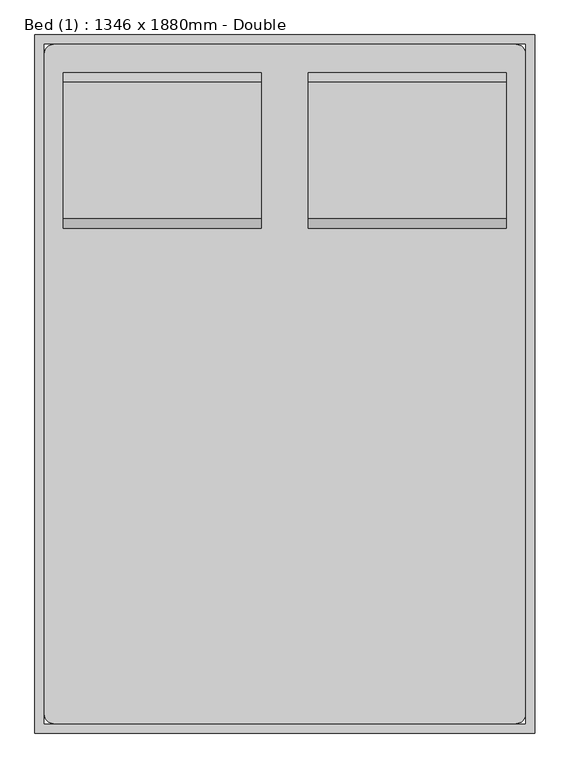
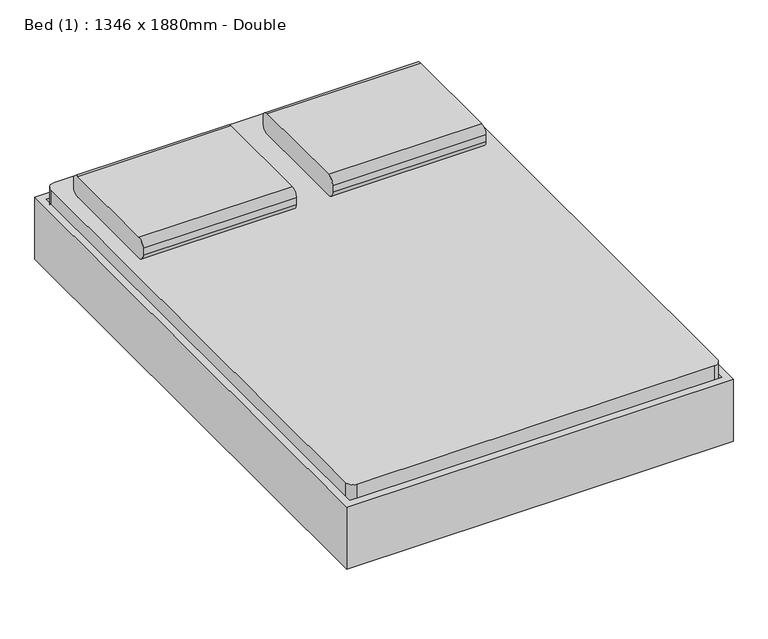
"""IFC4 building model written with IfcOpenShell, lengths in millimetres: furniture geometry, Bed (1) : 1346 x 1880mm - Double."""

from ifc_helpers import new_model, si_unit, point, frame, frame_2d, origin, place, context, project, spatial, polyline, circle_curve, trimmed, segment, composite_curve, outline, extrude, source, transform, mapped, element, save
from ifc_brep_helpers import plane_surface, cylinder_surface, revolved_surface, advanced_brep


def bed_1_1346_x_1880mm_double_0c3b6f55(model_context):
    return source(origin(), model_context, "Body", "SolidModel", [
        extrude(outline(composite_curve([segment(polyline([(578.5704918, 406.4), (210.2704918, 406.4)]), True, "CONTINUOUS"), segment(trimmed(circle_curve(frame_2d((210.2704918, 431.8)), 25.4), [point((210.2704918, 406.4))], [point((184.8704918, 431.8))], False, "CARTESIAN"), True, "CONTINUOUS"), segment(polyline([(184.8704918, 431.8), (184.8704918, 457.2)]), True, "CONTINUOUS"), segment(trimmed(circle_curve(frame_2d((210.2704918, 457.2)), 25.4), [point((184.8704918, 457.2))], [point((210.2704918, 482.6))], False, "CARTESIAN"), True, "CONTINUOUS"), segment(polyline([(210.2704918, 482.6), (578.5704918, 482.6)]), True, "CONTINUOUS"), segment(trimmed(circle_curve(frame_2d((578.5704918, 457.2)), 25.4), [point((578.5704918, 482.6))], [point((603.9704918, 457.2))], False, "CARTESIAN"), True, "CONTINUOUS"), segment(polyline([(603.9704918, 457.2), (603.9704918, 431.8)]), True, "CONTINUOUS"), segment(trimmed(circle_curve(frame_2d((578.5704918, 431.8)), 25.4), [point((603.9704918, 431.8))], [point((578.5704918, 406.4))], False, "CARTESIAN"), True, "CONTINUOUS")], self_intersect=False)), frame((402.652459, 0.0, 0.0), z_axis=(1.0, 0.0, 0.0), x_axis=(0.0, 1.0, 0.0)), (0.0, 0.0, 1.0), 533.3),
        extrude(outline(composite_curve([segment(polyline([(578.5704918, 406.4), (210.2704918, 406.4)]), True, "CONTINUOUS"), segment(trimmed(circle_curve(frame_2d((210.2704918, 431.8)), 25.4), [point((210.2704918, 406.4))], [point((184.8704918, 431.8))], False, "CARTESIAN"), True, "CONTINUOUS"), segment(polyline([(184.8704918, 431.8), (184.8704918, 457.2)]), True, "CONTINUOUS"), segment(trimmed(circle_curve(frame_2d((210.2704918, 457.2)), 25.4), [point((184.8704918, 457.2))], [point((210.2704918, 482.6))], False, "CARTESIAN"), True, "CONTINUOUS"), segment(polyline([(210.2704918, 482.6), (578.5704918, 482.6)]), True, "CONTINUOUS"), segment(trimmed(circle_curve(frame_2d((578.5704918, 457.2)), 25.4), [point((578.5704918, 482.6))], [point((603.9704918, 457.2))], False, "CARTESIAN"), True, "CONTINUOUS"), segment(polyline([(603.9704918, 457.2), (603.9704918, 431.8)]), True, "CONTINUOUS"), segment(trimmed(circle_curve(frame_2d((578.5704918, 431.8)), 25.4), [point((603.9704918, 431.8))], [point((578.5704918, 406.4))], False, "CARTESIAN"), True, "CONTINUOUS")], self_intersect=False)), frame((-257.647541, 0.0, 0.0), z_axis=(1.0, 0.0, 0.0), x_axis=(0.0, 1.0, 0.0)), (0.0, 0.0, 1.0), 533.3),
        advanced_brep(
        [(-308.1231784, 451.5704918, 177.8), (-308.1231784, 375.3704918, 177.8), (-308.1231784, 375.3704918, 196.85), (-308.1231784, 451.5704918, 196.85), (-257.3231784, 451.5704918, 177.8), (-257.3231784, 375.3704918, 177.8), (-245.1869899, 375.3704918, 196.85), (-245.1869899, 451.5704918, 196.85), (-181.2523099, 451.5704918, 14.6654962), (-181.2523099, 375.3704918, 14.6654962), (-163.9871466, 375.3704918, 22.716374), (-163.9871466, 451.5704918, 22.716374), (-158.2320921, 375.3704918, 0.0), (-158.2320921, 451.5704918, 0.0), (-158.2320921, 375.3704918, 19.05), (-158.2320921, 451.5704918, 19.05), (-79.6195862, 451.5704918, 0.0), (-79.6195862, 375.3704918, 0.0), (-79.6195862, 375.3704918, 19.05), (-79.6195862, 451.5704918, 19.05), (-66.9195862, 375.3704918, 3.4029547), (-66.9195862, 451.5704918, 3.4029547), (-76.4445862, 375.3704918, 19.9007387), (-76.4445862, 451.5704918, 19.9007387), (-6.822541, 451.5704918, 38.1), (-6.822541, 375.3704918, 38.1), (-11.9269731, 375.3704918, 57.15), (-11.9269731, 451.5704918, 57.15), (685.4518216, 451.5704918, 38.1), (685.4518216, 375.3704918, 38.1), (690.5562537, 375.3704918, 57.15), (690.5562537, 451.5704918, 57.15), (745.5488669, 451.5704918, 3.4029547), (745.5488669, 375.3704918, 3.4029547), (755.0738669, 375.3704918, 19.9007387), (755.0738669, 451.5704918, 19.9007387), (758.2488669, 375.3704918, 0.0), (758.2488669, 451.5704918, 0.0), (758.2488669, 375.3704918, 19.05), (758.2488669, 451.5704918, 19.05), (836.8613728, 451.5704918, 0.0), (836.8613728, 375.3704918, 0.0), (836.8613728, 375.3704918, 19.05), (836.8613728, 451.5704918, 19.05), (859.8815906, 375.3704918, 14.6654962), (859.8815906, 451.5704918, 14.6654962), (842.6164272, 375.3704918, 22.716374), (842.6164272, 451.5704918, 22.716374), (935.952459, 451.5704918, 177.8), (935.952459, 375.3704918, 177.8), (923.8162705, 375.3704918, 196.85), (923.8162705, 451.5704918, 196.85), (986.752459, 451.5704918, 177.8), (986.752459, 451.5704918, 196.85), (986.752459, 375.3704918, 196.85), (986.752459, 375.3704918, 177.8)],
        [
            (0, 1),
            (1, 2),
            (2, 3),
            (3, 0),
            (0, 4),
            (4, 5),
            (5, 1),
            (5, 6),
            (6, 2),
            (6, 7),
            (7, 3),
            (7, 4),
            (4, 8),
            (8, 9),
            (9, 5),
            (9, 10),
            (10, 6),
            (10, 11),
            (11, 7),
            (11, 8),
            (12, 9, circle_curve(frame((-158.2320921, 375.3704918, 25.4), z_axis=(0.0, 1.0, 0.0), x_axis=(-0.906307787036649, 0.0, -0.4226182617407015)), 25.4)),
            (8, 13, circle_curve(frame((-158.2320921, 451.5704918, 25.4), z_axis=(0.0, -1.0, 0.0), x_axis=(-0.906307787036649, 0.0, -0.4226182617407015)), 25.4)),
            (13, 12),
            (14, 10, circle_curve(frame((-158.2320921, 375.3704918, 25.4), z_axis=(0.0, 1.0, 0.0), x_axis=(-0.906307787036649, 0.0, -0.4226182617407015)), 6.35)),
            (12, 14),
            (15, 11, circle_curve(frame((-158.2320921, 451.5704918, 25.4), z_axis=(0.0, 1.0, 0.0), x_axis=(-0.906307787036649, 0.0, -0.4226182617407015)), 6.35)),
            (14, 15),
            (15, 13),
            (13, 16),
            (16, 17),
            (17, 12),
            (17, 18),
            (18, 14),
            (18, 19),
            (19, 15),
            (19, 16),
            (20, 17, circle_curve(frame((-79.6195862, 375.3704918, 25.4), z_axis=(0.0, 1.0, 0.0), x_axis=(0.0, 0.0, -1.0)), 25.4)),
            (16, 21, circle_curve(frame((-79.6195862, 451.5704918, 25.4), z_axis=(0.0, -1.0, 0.0), x_axis=(0.0, 0.0, -1.0)), 25.4)),
            (21, 20),
            (22, 18, circle_curve(frame((-79.6195862, 375.3704918, 25.4), z_axis=(0.0, 1.0, 0.0), x_axis=(0.0, 0.0, -1.0)), 6.35)),
            (20, 22),
            (23, 19, circle_curve(frame((-79.6195862, 451.5704918, 25.4), z_axis=(0.0, 1.0, 0.0), x_axis=(0.0, 0.0, -1.0)), 6.35)),
            (22, 23),
            (23, 21),
            (21, 24),
            (24, 25),
            (25, 20),
            (25, 26),
            (26, 22),
            (26, 27),
            (27, 23),
            (27, 24),
            (24, 28),
            (28, 29),
            (29, 25),
            (29, 30),
            (30, 26),
            (30, 31),
            (31, 27),
            (31, 28),
            (28, 32),
            (32, 33),
            (33, 29),
            (33, 34),
            (34, 30),
            (34, 35),
            (35, 31),
            (35, 32),
            (36, 33, circle_curve(frame((758.2488669, 375.3704918, 25.4), z_axis=(0.0, 1.0, 0.0), x_axis=(-0.5000000000000449, 0.0, -0.8660254037844127)), 25.4)),
            (32, 37, circle_curve(frame((758.2488669, 451.5704918, 25.4), z_axis=(0.0, -1.0, 0.0), x_axis=(-0.5000000000000449, 0.0, -0.8660254037844127)), 25.4)),
            (37, 36),
            (38, 34, circle_curve(frame((758.2488669, 375.3704918, 25.4), z_axis=(0.0, 1.0, 0.0), x_axis=(-0.5000000000000449, 0.0, -0.8660254037844127)), 6.35)),
            (36, 38),
            (39, 35, circle_curve(frame((758.2488669, 451.5704918, 25.4), z_axis=(0.0, 1.0, 0.0), x_axis=(-0.5000000000000449, 0.0, -0.8660254037844127)), 6.35)),
            (38, 39),
            (39, 37),
            (37, 40),
            (40, 41),
            (41, 36),
            (41, 42),
            (42, 38),
            (42, 43),
            (43, 39),
            (43, 40),
            (44, 41, circle_curve(frame((836.8613728, 375.3704918, 25.4), z_axis=(0.0, 1.0, 0.0), x_axis=(0.0, 0.0, -1.0)), 25.4)),
            (40, 45, circle_curve(frame((836.8613728, 451.5704918, 25.4), z_axis=(0.0, -1.0, 0.0), x_axis=(0.0, 0.0, -1.0)), 25.4)),
            (45, 44),
            (46, 42, circle_curve(frame((836.8613728, 375.3704918, 25.4), z_axis=(0.0, 1.0, 0.0), x_axis=(0.0, 0.0, -1.0)), 6.35)),
            (44, 46),
            (47, 43, circle_curve(frame((836.8613728, 451.5704918, 25.4), z_axis=(0.0, 1.0, 0.0), x_axis=(0.0, 0.0, -1.0)), 6.35)),
            (46, 47),
            (47, 45),
            (45, 48),
            (48, 49),
            (49, 44),
            (49, 50),
            (50, 46),
            (50, 51),
            (51, 47),
            (51, 48),
            (52, 53),
            (53, 54),
            (54, 55),
            (55, 52),
            (48, 52),
            (55, 49),
            (54, 50),
            (53, 51),
        ],
        [
            plane_surface(frame((-308.1231784, 705.5704918, -152.9490627), z_axis=(-1.0, 0.0, 0.0), x_axis=(0.0, 1.0, 0.0))),
            plane_surface(frame((-308.1231784, 451.5704918, 177.8), z_axis=(0.0, 0.0, -1.0), x_axis=(1.0, 0.0, 0.0))),
            plane_surface(frame((-308.1231784, 375.3704918, 177.8), z_axis=(0.0, -1.0, 0.0), x_axis=(1.0, 0.0, 0.0))),
            plane_surface(frame((-308.1231784, 375.3704918, 196.85), z_axis=(0.0, 0.0, 1.0), x_axis=(1.0, 0.0, 0.0))),
            plane_surface(frame((-308.1231784, 451.5704918, 196.85), z_axis=(0.0, 1.0, 0.0), x_axis=(1.0, 0.0, 0.0))),
            plane_surface(frame((-257.3231784, 451.5704918, 177.8), z_axis=(-0.9063077870366483, 0.0, -0.4226182617407031), x_axis=(0.4226182617407031, 0.0, -0.9063077870366483))),
            plane_surface(frame((-257.3231784, 375.3704918, 177.8), z_axis=(0.0, -1.0, 0.0), x_axis=(0.4226182617407027, 0.0, -0.9063077870366485))),
            plane_surface(frame((-245.1869899, 375.3704918, 196.85), z_axis=(0.9063077870366484, 0.0, 0.4226182617407029), x_axis=(0.4226182617407029, 0.0, -0.9063077870366484))),
            plane_surface(frame((-245.1869899, 451.5704918, 196.85), z_axis=(0.0, 1.0, 0.0), x_axis=(0.4226182617407027, 0.0, -0.9063077870366485))),
            cylinder_surface(frame((-158.2320921, 705.5704918, 25.4), z_axis=(0.0, -1.0, 0.0), x_axis=(-0.906307787036649, 0.0, -0.4226182617407015)), 25.4),
            plane_surface(frame((-158.2320921, 375.3704918, 25.4), z_axis=(0.0, -1.0, 0.0), x_axis=(-0.906307787036649, 0.0, -0.4226182617407015))),
            revolved_surface(polyline([(-163.9871465476827, 375.3704918, 22.716374037946544), (-163.9871465476827, 451.5704918, 22.716374037946544)]), (-158.2320921, 705.5704918, 25.4), (0.0, -1.0, 0.0)),
            plane_surface(frame((-158.2320921, 451.5704918, 25.4), z_axis=(0.0, 1.0, 0.0), x_axis=(-0.906307787036649, 0.0, -0.4226182617407015))),
            plane_surface(frame((-158.2320921, 451.5704918, 0.0), z_axis=(0.0, 0.0, -1.0), x_axis=(1.0, 0.0, 0.0))),
            plane_surface(frame((-158.2320921, 375.3704918, 0.0), z_axis=(0.0, -1.0, 0.0), x_axis=(1.0, 0.0, 0.0))),
            plane_surface(frame((-158.2320921, 375.3704918, 19.05), z_axis=(0.0, 0.0, 1.0), x_axis=(1.0, 0.0, 0.0))),
            plane_surface(frame((-158.2320921, 451.5704918, 19.05), z_axis=(0.0, 1.0, 0.0), x_axis=(1.0, 0.0, 0.0))),
            cylinder_surface(frame((-79.6195862, 705.5704918, 25.4), z_axis=(0.0, -1.0, 0.0), x_axis=(0.0, 0.0, -1.0)), 25.4),
            plane_surface(frame((-79.6195862, 375.3704918, 25.4), z_axis=(0.0, -1.0, 0.0), x_axis=(0.0, 0.0, -1.0))),
            revolved_surface(polyline([(-79.6195862, 375.3704918, 19.049999999999997), (-79.6195862, 451.5704918, 19.049999999999997)]), (-79.6195862, 705.5704918, 25.4), (0.0, -1.0, 0.0)),
            plane_surface(frame((-79.6195862, 451.5704918, 25.4), z_axis=(0.0, 1.0, 0.0), x_axis=(0.0, 0.0, -1.0))),
            plane_surface(frame((-66.9195862, 451.5704918, 3.4029547), z_axis=(0.499999999999877, 0.0, -0.8660254037845097), x_axis=(0.8660254037845097, 0.0, 0.499999999999877))),
            plane_surface(frame((-66.9195862, 375.3704918, 3.4029547), z_axis=(0.0, -1.0, 0.0), x_axis=(0.8660254037845101, 0.0, 0.49999999999987615))),
            plane_surface(frame((-76.4445862, 375.3704918, 19.9007387), z_axis=(-0.4999999999998764, 0.0, 0.8660254037845101), x_axis=(0.8660254037845101, 0.0, 0.4999999999998764))),
            plane_surface(frame((-76.4445862, 451.5704918, 19.9007387), z_axis=(0.0, 1.0, 0.0), x_axis=(0.86602540378451, 0.0, 0.49999999999987643))),
            plane_surface(frame((-6.822541, 451.5704918, 38.1), z_axis=(0.0, 0.0, -1.0), x_axis=(1.0, 0.0, 0.0))),
            plane_surface(frame((-6.822541, 375.3704918, 38.1), z_axis=(0.0, -1.0, 0.0), x_axis=(1.0, 0.0, 0.0))),
            plane_surface(frame((-11.9269731, 375.3704918, 57.15), z_axis=(0.0, 0.0, 1.0), x_axis=(1.0, 0.0, 0.0))),
            plane_surface(frame((-11.9269731, 451.5704918, 57.15), z_axis=(0.0, 1.0, 0.0), x_axis=(1.0, 0.0, 0.0))),
            plane_surface(frame((685.4518216, 451.5704918, 38.1), z_axis=(-0.5000000000000447, 0.0, -0.866025403784413), x_axis=(0.866025403784413, 0.0, -0.5000000000000447))),
            plane_surface(frame((685.4518216, 375.3704918, 38.1), z_axis=(0.0, -1.0, 0.0), x_axis=(0.8660254037844118, 0.0, -0.5000000000000464))),
            plane_surface(frame((690.5562537, 375.3704918, 57.15), z_axis=(0.5000000000000462, 0.0, 0.8660254037844121), x_axis=(0.8660254037844121, 0.0, -0.5000000000000462))),
            plane_surface(frame((690.5562537, 451.5704918, 57.15), z_axis=(0.0, 1.0, 0.0), x_axis=(0.8660254037844126, 0.0, -0.5000000000000452))),
            cylinder_surface(frame((758.2488669, 705.5704918, 25.4), z_axis=(0.0, -1.0, 0.0), x_axis=(-0.5000000000000449, 0.0, -0.8660254037844127)), 25.4),
            plane_surface(frame((758.2488669, 375.3704918, 25.4), z_axis=(0.0, -1.0, 0.0), x_axis=(-0.5000000000000449, 0.0, -0.8660254037844127))),
            revolved_surface(polyline([(755.0738668999998, 375.3704918, 19.900738685968978), (755.0738668999998, 451.5704918, 19.900738685968978)]), (758.2488669, 705.5704918, 25.4), (0.0, -1.0, 0.0)),
            plane_surface(frame((758.2488669, 451.5704918, 25.4), z_axis=(0.0, 1.0, 0.0), x_axis=(-0.5000000000000449, 0.0, -0.8660254037844127))),
            plane_surface(frame((758.2488669, 451.5704918, 0.0), z_axis=(0.0, 0.0, -1.0), x_axis=(1.0, 0.0, 0.0))),
            plane_surface(frame((758.2488669, 375.3704918, 0.0), z_axis=(0.0, -1.0, 0.0), x_axis=(1.0, 0.0, 0.0))),
            plane_surface(frame((758.2488669, 375.3704918, 19.05), z_axis=(0.0, 0.0, 1.0), x_axis=(1.0, 0.0, 0.0))),
            plane_surface(frame((758.2488669, 451.5704918, 19.05), z_axis=(0.0, 1.0, 0.0), x_axis=(1.0, 0.0, 0.0))),
            cylinder_surface(frame((836.8613728, 705.5704918, 25.4), z_axis=(0.0, -1.0, 0.0), x_axis=(0.0, 0.0, -1.0)), 25.4),
            plane_surface(frame((836.8613728, 375.3704918, 25.4), z_axis=(0.0, -1.0, 0.0), x_axis=(0.0, 0.0, -1.0))),
            revolved_surface(polyline([(836.8613728, 375.3704918, 19.049999999999997), (836.8613728, 451.5704918, 19.049999999999997)]), (836.8613728, 705.5704918, 25.4), (0.0, -1.0, 0.0)),
            plane_surface(frame((836.8613728, 451.5704918, 25.4), z_axis=(0.0, 1.0, 0.0), x_axis=(0.0, 0.0, -1.0))),
            plane_surface(frame((859.8815906, 451.5704918, 14.6654962), z_axis=(0.9063077870366809, 0.0, -0.42261826174063316), x_axis=(0.42261826174063316, 0.0, 0.9063077870366809))),
            plane_surface(frame((859.8815906, 375.3704918, 14.6654962), z_axis=(0.0, -1.0, 0.0), x_axis=(0.4226182617406339, 0.0, 0.9063077870366806))),
            plane_surface(frame((842.6164272, 375.3704918, 22.716374), z_axis=(-0.906307787036681, 0.0, 0.422618261740633), x_axis=(0.422618261740633, 0.0, 0.906307787036681))),
            plane_surface(frame((842.6164272, 451.5704918, 22.716374), z_axis=(0.0, 1.0, 0.0), x_axis=(0.4226182617406331, 0.0, 0.9063077870366809))),
            plane_surface(frame((986.752459, 705.5704918, -152.9490627), z_axis=(1.0, 0.0, 0.0), x_axis=(0.0, 1.0, 0.0))),
            plane_surface(frame((935.952459, 451.5704918, 177.8), z_axis=(0.0, 0.0, -1.0), x_axis=(1.0, 0.0, 0.0))),
            plane_surface(frame((935.952459, 375.3704918, 177.8), z_axis=(0.0, -1.0, 0.0), x_axis=(1.0, 0.0, 0.0))),
            plane_surface(frame((923.8162705, 375.3704918, 196.85), z_axis=(0.0, 0.0, 1.0), x_axis=(1.0, 0.0, 0.0))),
            plane_surface(frame((923.8162705, 451.5704918, 196.85), z_axis=(0.0, 1.0, 0.0), x_axis=(1.0, 0.0, 0.0))),
        ],
        [
            (0, [[1, 2, 3, 4]]),
            (1, [[-1, 5, 6, 7]]),
            (2, [[-2, -7, 8, 9]]),
            (3, [[-3, -9, 10, 11]]),
            (4, [[-4, -11, 12, -5]]),
            (5, [[-6, 13, 14, 15]]),
            (6, [[-8, -15, 16, 17]]),
            (7, [[-10, -17, 18, 19]]),
            (8, [[-12, -19, 20, -13]]),
            (9, [[21, -14, 22, 23]]),
            (10, [[24, -16, -21, 25]]),
            (11, [[26, -18, -24, 27]]),
            (12, [[-22, -20, -26, 28]]),
            (13, [[-23, 29, 30, 31]]),
            (14, [[-25, -31, 32, 33]]),
            (15, [[-27, -33, 34, 35]]),
            (16, [[-28, -35, 36, -29]]),
            (17, [[37, -30, 38, 39]]),
            (18, [[40, -32, -37, 41]]),
            (19, [[42, -34, -40, 43]]),
            (20, [[-38, -36, -42, 44]]),
            (21, [[-39, 45, 46, 47]]),
            (22, [[-41, -47, 48, 49]]),
            (23, [[-43, -49, 50, 51]]),
            (24, [[-44, -51, 52, -45]]),
            (25, [[-46, 53, 54, 55]]),
            (26, [[-48, -55, 56, 57]]),
            (27, [[-50, -57, 58, 59]]),
            (28, [[-52, -59, 60, -53]]),
            (29, [[-54, 61, 62, 63]]),
            (30, [[-56, -63, 64, 65]]),
            (31, [[-58, -65, 66, 67]]),
            (32, [[-60, -67, 68, -61]]),
            (33, [[69, -62, 70, 71]]),
            (34, [[72, -64, -69, 73]]),
            (35, [[74, -66, -72, 75]]),
            (36, [[-70, -68, -74, 76]]),
            (37, [[-71, 77, 78, 79]]),
            (38, [[-73, -79, 80, 81]]),
            (39, [[-75, -81, 82, 83]]),
            (40, [[-76, -83, 84, -77]]),
            (41, [[85, -78, 86, 87]]),
            (42, [[88, -80, -85, 89]]),
            (43, [[90, -82, -88, 91]]),
            (44, [[-86, -84, -90, 92]]),
            (45, [[-87, 93, 94, 95]]),
            (46, [[-89, -95, 96, 97]]),
            (47, [[-91, -97, 98, 99]]),
            (48, [[-92, -99, 100, -93]]),
            (49, [[101, 102, 103, 104]]),
            (50, [[-94, 105, -104, 106]]),
            (51, [[-96, -106, -103, 107]]),
            (52, [[-98, -107, -102, 108]]),
            (53, [[-100, -108, -101, -105]]),
        ],
    ),
        extrude(outline(composite_curve([segment(polyline([(-283.047541, 680.1704918), (961.352459, 680.1704918)]), True, "CONTINUOUS"), segment(trimmed(circle_curve(frame_2d((961.352459, 654.7704918)), 25.4), [point((961.352459, 680.1704918))], [point((986.752459, 654.7704918))], False, "CARTESIAN"), True, "CONTINUOUS"), segment(polyline([(986.752459, 654.7704918), (986.752459, -1123.6295082)]), True, "CONTINUOUS"), segment(trimmed(circle_curve(frame_2d((961.352459, -1123.6295082)), 25.4), [point((986.752459, -1123.6295082))], [point((961.352459, -1149.0295082))], False, "CARTESIAN"), True, "CONTINUOUS"), segment(polyline([(961.352459, -1149.0295082), (-283.047541, -1149.0295082)]), True, "CONTINUOUS"), segment(trimmed(circle_curve(frame_2d((-283.047541, -1123.6295082)), 25.4), [point((-283.047541, -1149.0295082))], [point((-308.447541, -1123.6295082))], False, "CARTESIAN"), True, "CONTINUOUS"), segment(polyline([(-308.447541, -1123.6295082), (-308.447541, 654.7704918)]), True, "CONTINUOUS"), segment(trimmed(circle_curve(frame_2d((-283.047541, 654.7704918)), 25.4), [point((-308.447541, 654.7704918))], [point((-283.047541, 680.1704918))], False, "CARTESIAN"), True, "CONTINUOUS")], self_intersect=False)), frame((0.0, 0.0, 203.2), z_axis=(0.0, 0.0, 1.0), x_axis=(1.0, 0.0, 0.0)), (0.0, 0.0, 1.0), 203.2),
        advanced_brep(
        [(-308.447541, -869.6295082, 196.85), (-308.447541, -869.6295082, 177.8), (-308.447541, -945.8295082, 177.8), (-308.447541, -945.8295082, 196.85), (-245.5113525, -869.6295082, 196.85), (-257.647541, -869.6295082, 177.8), (-257.647541, -945.8295082, 177.8), (-245.5113525, -945.8295082, 196.85), (-164.3115092, -869.6295082, 22.716374), (-181.5766725, -869.6295082, 14.6654962), (-181.5766725, -945.8295082, 14.6654962), (-164.3115092, -945.8295082, 22.716374), (-158.5564547, -869.6295082, 0.0), (-158.5564547, -869.6295082, 19.05), (-158.5564547, -945.8295082, 0.0), (-158.5564547, -945.8295082, 19.05), (-79.9439489, -869.6295082, 19.05), (-79.9439489, -869.6295082, 0.0), (-79.9439489, -945.8295082, 0.0), (-79.9439489, -945.8295082, 19.05), (-67.2439489, -869.6295082, 3.4029547), (-76.7689489, -869.6295082, 19.9007387), (-67.2439489, -945.8295082, 3.4029547), (-76.7689489, -945.8295082, 19.9007387), (-12.2513357, -869.6295082, 57.15), (-7.1469036, -869.6295082, 38.1), (-7.1469036, -945.8295082, 38.1), (-12.2513357, -945.8295082, 57.15), (690.5562537, -869.6295082, 57.15), (685.4518216, -869.6295082, 38.1), (685.4518216, -945.8295082, 38.1), (690.5562537, -945.8295082, 57.15), (755.0738669, -869.6295082, 19.9007387), (745.5488669, -869.6295082, 3.4029547), (745.5488669, -945.8295082, 3.4029547), (755.0738669, -945.8295082, 19.9007387), (758.2488669, -869.6295082, 0.0), (758.2488669, -869.6295082, 19.05), (758.2488669, -945.8295082, 0.0), (758.2488669, -945.8295082, 19.05), (836.8613728, -869.6295082, 19.05), (836.8613728, -869.6295082, 0.0), (836.8613728, -945.8295082, 0.0), (836.8613728, -945.8295082, 19.05), (859.8815906, -869.6295082, 14.6654962), (842.6164272, -869.6295082, 22.716374), (859.8815906, -945.8295082, 14.6654962), (842.6164272, -945.8295082, 22.716374), (923.8162705, -869.6295082, 196.85), (935.952459, -869.6295082, 177.8), (935.952459, -945.8295082, 177.8), (923.8162705, -945.8295082, 196.85), (986.752459, -869.6295082, 196.85), (986.752459, -945.8295082, 196.85), (986.752459, -945.8295082, 177.8), (986.752459, -869.6295082, 177.8)],
        [
            (0, 1),
            (1, 2),
            (2, 3),
            (3, 0),
            (0, 4),
            (4, 5),
            (5, 1),
            (5, 6),
            (6, 2),
            (6, 7),
            (7, 3),
            (7, 4),
            (4, 8),
            (8, 9),
            (9, 5),
            (9, 10),
            (10, 6),
            (10, 11),
            (11, 7),
            (11, 8),
            (12, 9, circle_curve(frame((-158.5564547, -869.6295082, 25.4), z_axis=(0.0, 1.0, 0.0), x_axis=(-0.906307787036664, 0.0, -0.4226182617406693)), 25.4)),
            (8, 13, circle_curve(frame((-158.5564547, -869.6295082, 25.4), z_axis=(0.0, -1.0, 0.0), x_axis=(-0.906307787036664, 0.0, -0.4226182617406693)), 6.35)),
            (13, 12),
            (14, 10, circle_curve(frame((-158.5564547, -945.8295082, 25.4), z_axis=(0.0, 1.0, 0.0), x_axis=(-0.906307787036664, 0.0, -0.4226182617406693)), 25.4)),
            (12, 14),
            (15, 11, circle_curve(frame((-158.5564547, -945.8295082, 25.4), z_axis=(0.0, 1.0, 0.0), x_axis=(-0.906307787036664, 0.0, -0.4226182617406693)), 6.35)),
            (14, 15),
            (15, 13),
            (13, 16),
            (16, 17),
            (17, 12),
            (17, 18),
            (18, 14),
            (18, 19),
            (19, 15),
            (19, 16),
            (20, 17, circle_curve(frame((-79.9439489, -869.6295082, 25.4), z_axis=(0.0, 1.0, 0.0), x_axis=(0.0, 0.0, -1.0)), 25.4)),
            (16, 21, circle_curve(frame((-79.9439489, -869.6295082, 25.4), z_axis=(0.0, -1.0, 0.0), x_axis=(0.0, 0.0, -1.0)), 6.35)),
            (21, 20),
            (22, 18, circle_curve(frame((-79.9439489, -945.8295082, 25.4), z_axis=(0.0, 1.0, 0.0), x_axis=(0.0, 0.0, -1.0)), 25.4)),
            (20, 22),
            (23, 19, circle_curve(frame((-79.9439489, -945.8295082, 25.4), z_axis=(0.0, 1.0, 0.0), x_axis=(0.0, 0.0, -1.0)), 6.35)),
            (22, 23),
            (23, 21),
            (21, 24),
            (24, 25),
            (25, 20),
            (25, 26),
            (26, 22),
            (26, 27),
            (27, 23),
            (27, 24),
            (24, 28),
            (28, 29),
            (29, 25),
            (29, 30),
            (30, 26),
            (30, 31),
            (31, 27),
            (31, 28),
            (28, 32),
            (32, 33),
            (33, 29),
            (33, 34),
            (34, 30),
            (34, 35),
            (35, 31),
            (35, 32),
            (36, 33, circle_curve(frame((758.2488669, -869.6295082, 25.4), z_axis=(0.0, 1.0, 0.0), x_axis=(-0.5000000000000533, 0.0, -0.8660254037844078)), 25.4)),
            (32, 37, circle_curve(frame((758.2488669, -869.6295082, 25.4), z_axis=(0.0, -1.0, 0.0), x_axis=(-0.5000000000000533, 0.0, -0.8660254037844078)), 6.35)),
            (37, 36),
            (38, 34, circle_curve(frame((758.2488669, -945.8295082, 25.4), z_axis=(0.0, 1.0, 0.0), x_axis=(-0.5000000000000533, 0.0, -0.8660254037844078)), 25.4)),
            (36, 38),
            (39, 35, circle_curve(frame((758.2488669, -945.8295082, 25.4), z_axis=(0.0, 1.0, 0.0), x_axis=(-0.5000000000000533, 0.0, -0.8660254037844078)), 6.35)),
            (38, 39),
            (39, 37),
            (37, 40),
            (40, 41),
            (41, 36),
            (41, 42),
            (42, 38),
            (42, 43),
            (43, 39),
            (43, 40),
            (44, 41, circle_curve(frame((836.8613728, -869.6295082, 25.4), z_axis=(0.0, 1.0, 0.0), x_axis=(0.0, 0.0, -1.0)), 25.4)),
            (40, 45, circle_curve(frame((836.8613728, -869.6295082, 25.4), z_axis=(0.0, -1.0, 0.0), x_axis=(0.0, 0.0, -1.0)), 6.35)),
            (45, 44),
            (46, 42, circle_curve(frame((836.8613728, -945.8295082, 25.4), z_axis=(0.0, 1.0, 0.0), x_axis=(0.0, 0.0, -1.0)), 25.4)),
            (44, 46),
            (47, 43, circle_curve(frame((836.8613728, -945.8295082, 25.4), z_axis=(0.0, 1.0, 0.0), x_axis=(0.0, 0.0, -1.0)), 6.35)),
            (46, 47),
            (47, 45),
            (45, 48),
            (48, 49),
            (49, 44),
            (49, 50),
            (50, 46),
            (50, 51),
            (51, 47),
            (51, 48),
            (52, 53),
            (53, 54),
            (54, 55),
            (55, 52),
            (48, 52),
            (55, 49),
            (54, 50),
            (53, 51),
        ],
        [
            plane_surface(frame((-308.447541, -1174.4295082, -127.5947323), z_axis=(-1.0, 0.0, 0.0), x_axis=(0.0, 1.0, 0.0))),
            plane_surface(frame((-308.447541, -869.6295082, 196.85), z_axis=(0.0, 1.0, 0.0), x_axis=(1.0, 0.0, 0.0))),
            plane_surface(frame((-308.447541, -869.6295082, 177.8), z_axis=(0.0, 0.0, -1.0), x_axis=(1.0, 0.0, 0.0))),
            plane_surface(frame((-308.447541, -945.8295082, 177.8), z_axis=(0.0, -1.0, 0.0), x_axis=(1.0, 0.0, 0.0))),
            plane_surface(frame((-308.447541, -945.8295082, 196.85), z_axis=(0.0, 0.0, 1.0), x_axis=(1.0, 0.0, 0.0))),
            plane_surface(frame((-245.5113525, -869.6295082, 196.85), z_axis=(0.0, 1.0000000000000002, 0.0), x_axis=(0.4226182617406713, 0.0, -0.9063077870366631))),
            plane_surface(frame((-257.647541, -869.6295082, 177.8), z_axis=(-0.9063077870366631, 0.0, -0.4226182617406712), x_axis=(0.4226182617406712, 0.0, -0.9063077870366631))),
            plane_surface(frame((-257.647541, -945.8295082, 177.8), z_axis=(0.0, -1.0000000000000002, 0.0), x_axis=(0.4226182617406716, 0.0, -0.906307787036663))),
            plane_surface(frame((-245.5113525, -945.8295082, 196.85), z_axis=(0.906307787036663, 0.0, 0.4226182617406715), x_axis=(0.4226182617406715, 0.0, -0.906307787036663))),
            plane_surface(frame((-158.5564547, -869.6295082, 25.4), z_axis=(0.0, 1.0, 0.0), x_axis=(-0.906307787036664, 0.0, -0.4226182617406693))),
            cylinder_surface(frame((-158.5564547, -1174.4295082, 25.4), z_axis=(0.0, -1.0, 0.0), x_axis=(-0.906307787036664, 0.0, -0.4226182617406693)), 25.4),
            plane_surface(frame((-158.5564547, -945.8295082, 25.4), z_axis=(0.0, -1.0, 0.0), x_axis=(-0.906307787036664, 0.0, -0.4226182617406693))),
            revolved_surface(polyline([(-164.3115091476828, -945.8295082, 22.71637403794675), (-164.3115091476828, -869.6295082, 22.71637403794675)]), (-158.5564547, -1174.4295082, 25.4), (0.0, -1.0, 0.0)),
            plane_surface(frame((-158.5564547, -869.6295082, 19.05), z_axis=(0.0, 1.0, 0.0), x_axis=(1.0, 0.0, 0.0))),
            plane_surface(frame((-158.5564547, -869.6295082, 0.0), z_axis=(0.0, 0.0, -1.0), x_axis=(1.0, 0.0, 0.0))),
            plane_surface(frame((-158.5564547, -945.8295082, 0.0), z_axis=(0.0, -1.0, 0.0), x_axis=(1.0, 0.0, 0.0))),
            plane_surface(frame((-158.5564547, -945.8295082, 19.05), z_axis=(0.0, 0.0, 1.0), x_axis=(1.0, 0.0, 0.0))),
            plane_surface(frame((-79.9439489, -869.6295082, 25.4), z_axis=(0.0, 1.0, 0.0), x_axis=(0.0, 0.0, -1.0))),
            cylinder_surface(frame((-79.9439489, -1174.4295082, 25.4), z_axis=(0.0, -1.0, 0.0), x_axis=(0.0, 0.0, -1.0)), 25.4),
            plane_surface(frame((-79.9439489, -945.8295082, 25.4), z_axis=(0.0, -1.0, 0.0), x_axis=(0.0, 0.0, -1.0))),
            revolved_surface(polyline([(-79.9439489, -945.8295082, 19.049999999999997), (-79.9439489, -869.6295082, 19.049999999999997)]), (-79.9439489, -1174.4295082, 25.4), (0.0, -1.0, 0.0)),
            plane_surface(frame((-76.7689489, -869.6295082, 19.9007387), z_axis=(0.0, 1.0, 0.0), x_axis=(0.8660254037844781, 0.0, 0.4999999999999317))),
            plane_surface(frame((-67.2439489, -869.6295082, 3.4029547), z_axis=(0.4999999999999313, 0.0, -0.8660254037844783), x_axis=(0.8660254037844783, 0.0, 0.4999999999999313))),
            plane_surface(frame((-67.2439489, -945.8295082, 3.4029547), z_axis=(0.0, -1.0000000000000002, 0.0), x_axis=(0.8660254037844788, 0.0, 0.49999999999993067))),
            plane_surface(frame((-76.7689489, -945.8295082, 19.9007387), z_axis=(-0.49999999999993067, 0.0, 0.8660254037844787), x_axis=(0.8660254037844787, 0.0, 0.49999999999993067))),
            plane_surface(frame((-12.2513357, -869.6295082, 57.15), z_axis=(0.0, 1.0, 0.0), x_axis=(1.0, 0.0, 0.0))),
            plane_surface(frame((-7.1469036, -869.6295082, 38.1), z_axis=(0.0, 0.0, -1.0), x_axis=(1.0, 0.0, 0.0))),
            plane_surface(frame((-7.1469036, -945.8295082, 38.1), z_axis=(0.0, -1.0, 0.0), x_axis=(1.0, 0.0, 0.0))),
            plane_surface(frame((-12.2513357, -945.8295082, 57.15), z_axis=(0.0, 0.0, 1.0), x_axis=(1.0, 0.0, 0.0))),
            plane_surface(frame((690.5562537, -869.6295082, 57.15), z_axis=(0.0, 1.0, 0.0), x_axis=(0.8660254037844102, 0.0, -0.5000000000000493))),
            plane_surface(frame((685.4518216, -869.6295082, 38.1), z_axis=(-0.5000000000000493, 0.0, -0.8660254037844103), x_axis=(0.8660254037844103, 0.0, -0.5000000000000493))),
            plane_surface(frame((685.4518216, -945.8295082, 38.1), z_axis=(0.0, -1.0, 0.0), x_axis=(0.8660254037844107, 0.0, -0.5000000000000484))),
            plane_surface(frame((690.5562537, -945.8295082, 57.15), z_axis=(0.5000000000000495, 0.0, 0.8660254037844102), x_axis=(0.8660254037844102, 0.0, -0.5000000000000495))),
            plane_surface(frame((758.2488669, -869.6295082, 25.4), z_axis=(0.0, 1.0000000000000002, 0.0), x_axis=(-0.5000000000000534, 0.0, -0.866025403784408))),
            cylinder_surface(frame((758.2488669, -1174.4295082, 25.4), z_axis=(0.0, -1.0, 0.0), x_axis=(-0.5000000000000533, 0.0, -0.8660254037844078)), 25.4),
            plane_surface(frame((758.2488669, -945.8295082, 25.4), z_axis=(0.0, -1.0000000000000002, 0.0), x_axis=(-0.5000000000000534, 0.0, -0.866025403784408))),
            revolved_surface(polyline([(755.0738668999998, -945.8295082, 19.90073868596901), (755.0738668999998, -869.6295082, 19.90073868596901)]), (758.2488669, -1174.4295082, 25.4), (0.0, -1.0, 0.0)),
            plane_surface(frame((758.2488669, -869.6295082, 19.05), z_axis=(0.0, 1.0, 0.0), x_axis=(1.0, 0.0, 0.0))),
            plane_surface(frame((758.2488669, -869.6295082, 0.0), z_axis=(0.0, 0.0, -1.0), x_axis=(1.0, 0.0, 0.0))),
            plane_surface(frame((758.2488669, -945.8295082, 0.0), z_axis=(0.0, -1.0, 0.0), x_axis=(1.0, 0.0, 0.0))),
            plane_surface(frame((758.2488669, -945.8295082, 19.05), z_axis=(0.0, 0.0, 1.0), x_axis=(1.0, 0.0, 0.0))),
            plane_surface(frame((836.8613728, -869.6295082, 25.4), z_axis=(0.0, 1.0, 0.0), x_axis=(0.0, 0.0, -1.0))),
            cylinder_surface(frame((836.8613728, -1174.4295082, 25.4), z_axis=(0.0, -1.0, 0.0), x_axis=(0.0, 0.0, -1.0)), 25.4),
            plane_surface(frame((836.8613728, -945.8295082, 25.4), z_axis=(0.0, -1.0, 0.0), x_axis=(0.0, 0.0, -1.0))),
            revolved_surface(polyline([(836.8613728, -945.8295082, 19.049999999999997), (836.8613728, -869.6295082, 19.049999999999997)]), (836.8613728, -1174.4295082, 25.4), (0.0, -1.0, 0.0)),
            plane_surface(frame((842.6164272, -869.6295082, 22.716374), z_axis=(0.0, 1.0, 0.0), x_axis=(0.42261826174054024, 0.0, 0.9063077870367242))),
            plane_surface(frame((859.8815906, -869.6295082, 14.6654962), z_axis=(0.9063077870367242, 0.0, -0.42261826174054035), x_axis=(0.42261826174054035, 0.0, 0.9063077870367242))),
            plane_surface(frame((859.8815906, -945.8295082, 14.6654962), z_axis=(0.0, -1.0, 0.0), x_axis=(0.4226182617405399, 0.0, 0.9063077870367244))),
            plane_surface(frame((842.6164272, -945.8295082, 22.716374), z_axis=(-0.9063077870367242, 0.0, 0.42261826174054035), x_axis=(0.42261826174054035, 0.0, 0.9063077870367242))),
            plane_surface(frame((986.752459, -1174.4295082, -127.5947323), z_axis=(1.0, 0.0, 0.0), x_axis=(0.0, 1.0, 0.0))),
            plane_surface(frame((923.8162705, -869.6295082, 196.85), z_axis=(0.0, 1.0, 0.0), x_axis=(1.0, 0.0, 0.0))),
            plane_surface(frame((935.952459, -869.6295082, 177.8), z_axis=(0.0, 0.0, -1.0), x_axis=(1.0, 0.0, 0.0))),
            plane_surface(frame((935.952459, -945.8295082, 177.8), z_axis=(0.0, -1.0, 0.0), x_axis=(1.0, 0.0, 0.0))),
            plane_surface(frame((923.8162705, -945.8295082, 196.85), z_axis=(0.0, 0.0, 1.0), x_axis=(1.0, 0.0, 0.0))),
        ],
        [
            (0, [[1, 2, 3, 4]]),
            (1, [[-1, 5, 6, 7]]),
            (2, [[-2, -7, 8, 9]]),
            (3, [[-3, -9, 10, 11]]),
            (4, [[-4, -11, 12, -5]]),
            (5, [[-6, 13, 14, 15]]),
            (6, [[-8, -15, 16, 17]]),
            (7, [[-10, -17, 18, 19]]),
            (8, [[-12, -19, 20, -13]]),
            (9, [[21, -14, 22, 23]]),
            (10, [[24, -16, -21, 25]]),
            (11, [[26, -18, -24, 27]]),
            (12, [[-22, -20, -26, 28]]),
            (13, [[-23, 29, 30, 31]]),
            (14, [[-25, -31, 32, 33]]),
            (15, [[-27, -33, 34, 35]]),
            (16, [[-28, -35, 36, -29]]),
            (17, [[37, -30, 38, 39]]),
            (18, [[40, -32, -37, 41]]),
            (19, [[42, -34, -40, 43]]),
            (20, [[-38, -36, -42, 44]]),
            (21, [[-39, 45, 46, 47]]),
            (22, [[-41, -47, 48, 49]]),
            (23, [[-43, -49, 50, 51]]),
            (24, [[-44, -51, 52, -45]]),
            (25, [[-46, 53, 54, 55]]),
            (26, [[-48, -55, 56, 57]]),
            (27, [[-50, -57, 58, 59]]),
            (28, [[-52, -59, 60, -53]]),
            (29, [[-54, 61, 62, 63]]),
            (30, [[-56, -63, 64, 65]]),
            (31, [[-58, -65, 66, 67]]),
            (32, [[-60, -67, 68, -61]]),
            (33, [[69, -62, 70, 71]]),
            (34, [[72, -64, -69, 73]]),
            (35, [[74, -66, -72, 75]]),
            (36, [[-70, -68, -74, 76]]),
            (37, [[-71, 77, 78, 79]]),
            (38, [[-73, -79, 80, 81]]),
            (39, [[-75, -81, 82, 83]]),
            (40, [[-76, -83, 84, -77]]),
            (41, [[85, -78, 86, 87]]),
            (42, [[88, -80, -85, 89]]),
            (43, [[90, -82, -88, 91]]),
            (44, [[-86, -84, -90, 92]]),
            (45, [[-87, 93, 94, 95]]),
            (46, [[-89, -95, 96, 97]]),
            (47, [[-91, -97, 98, 99]]),
            (48, [[-92, -99, 100, -93]]),
            (49, [[101, 102, 103, 104]]),
            (50, [[-94, 105, -104, 106]]),
            (51, [[-96, -106, -103, 107]]),
            (52, [[-98, -107, -102, 108]]),
            (53, [[-100, -108, -101, -105]]),
        ],
    ),
        extrude(outline(polyline([(1012.152459, 705.5704918), (1012.152459, -1174.4295082), (-333.847541, -1174.4295082), (-333.847541, 705.5704918), (1012.152459, 705.5704918)]), holes=[polyline([(986.752459, 680.1704918), (-308.447541, 680.1704918), (-308.447541, -1149.0295082), (986.752459, -1149.0295082), (986.752459, 680.1704918)])]), frame((0.0, 0.0, 127.0), z_axis=(0.0, 0.0, 1.0), x_axis=(1.0, 0.0, 0.0)), (0.0, 0.0, 1.0), 228.6),
    ])


if __name__ == "__main__":
    model = new_model("IFC4")
    model_context = context("Model", 3, world=origin())
    ifc_project = project(units=[si_unit("LENGTHUNIT", "METRE", prefix="MILLI")], contexts=[model_context])
    site = spatial("IfcSite", under=ifc_project)
    building = spatial("IfcBuilding", under=site)
    placement = place(None, origin())
    bed_1_1346_x_1880mm_double_shape = bed_1_1346_x_1880mm_double_0c3b6f55(model_context)
    element("IfcFurniture", 1, ObjectType="Bed (1) : 1346 x 1880mm - Double", at=placement, inside=building, context=model_context, shape_type="MappedRepresentation", body=[
        mapped(bed_1_1346_x_1880mm_double_shape, transform((0.0, 0.0, 0.0), x_axis=(1.0, 0.0, 0.0), y_axis=(0.0, 1.0, 0.0), z_axis=(0.0, 0.0, 1.0))),
    ])
    save(model, "model.ifc")
